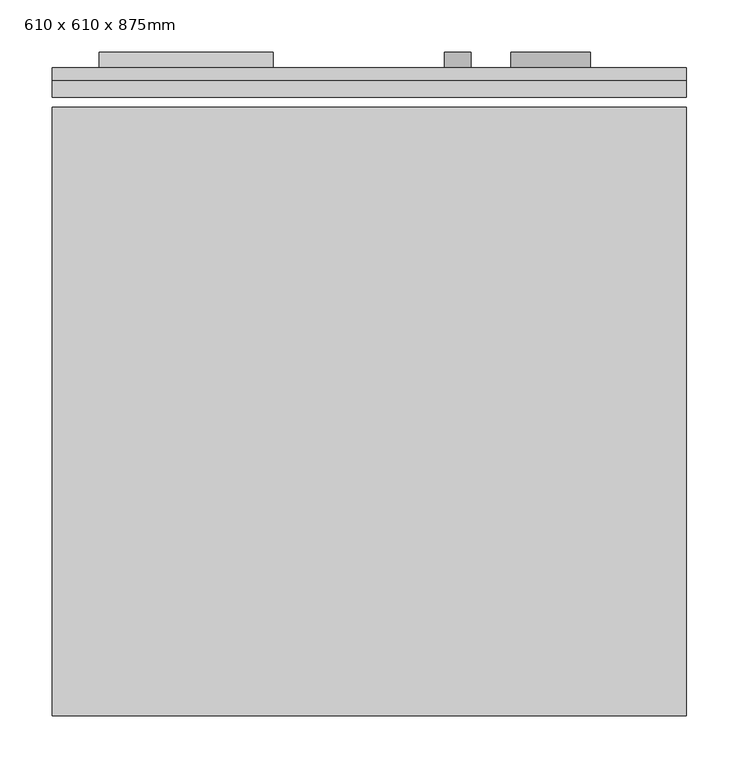
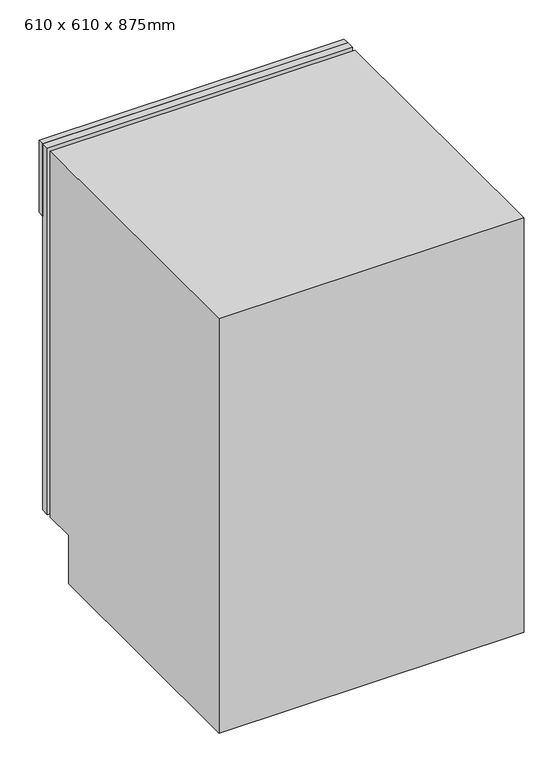
"""IFC4 building model written with IfcOpenShell, lengths in millimetres: proxy geometry, 610 x 610 x 875mm."""

from ifc_helpers import new_model, si_unit, point, frame, frame_2d, origin, place, context, project, spatial, polyline, circle_curve, trimmed, segment, composite_curve, outline, extrude, source, transform, mapped, element, save


def proxy_610_x_610_x_875mm_75336c20(model_context):
    return source(origin(), model_context, "Body", "SweptSolid", [
        extrude(outline(polyline([(687.5174685, 38.3504352), (687.5174685, 22.4754352), (77.5174685, 22.4754352), (77.5174685, 38.3504352), (687.5174685, 38.3504352)])), frame((0.0, 0.0, 101.6), z_axis=(0.0, 0.0, 1.0), x_axis=(1.0, 0.0, 0.0)), (0.0, 0.0, 1.0), 773.4),
        extrude(outline(polyline([(687.5174685, 38.3504352), (77.5174685, 38.3504352), (77.5174685, 51.0504352), (687.5174685, 51.0504352), (687.5174685, 38.3504352)])), frame((0.0, 0.0, 722.6), z_axis=(0.0, 0.0, 1.0), x_axis=(1.0, 0.0, 0.0)), (0.0, 0.0, 1.0), 152.4),
        extrude(outline(polyline([(-571.6495648, 0.0), (-571.6495648, 875.0), (12.9504352, 875.0), (12.9504352, 101.6), (-50.5495648, 101.6), (-50.5495648, 0.0), (-571.6495648, 0.0)])), frame((77.5174685, 0.0, 0.0), z_axis=(1.0, 0.0, 0.0), x_axis=(0.0, 1.0, 0.0)), (0.0, 0.0, 1.0), 610.0),
        extrude(outline(polyline([(290.2347603, 66.0504352), (290.2347603, 51.0504352), (122.8347603, 51.0504352), (122.8347603, 66.0504352), (290.2347603, 66.0504352)])), frame((0.0, 0.0, 790.6663551), z_axis=(0.0, 0.0, 1.0), x_axis=(1.0, 0.0, 0.0)), (0.0, 0.0, 1.0), 50.8),
        extrude(outline(composite_curve([segment(trimmed(circle_curve(frame_2d((790.6663551, 467.3393328)), 12.7), [point((790.6663551, 480.0393328))], [point((790.6663551, 454.6393328))], False, "CARTESIAN"), True, "CONTINUOUS"), segment(trimmed(circle_curve(frame_2d((790.6663551, 467.3393328)), 12.7), [point((790.6663551, 454.6393328))], [point((790.6663551, 480.0393328))], False, "CARTESIAN"), True, "CONTINUOUS")], self_intersect=False)), frame((0.0, 51.0504352, 0.0), z_axis=(0.0, 1.0, 0.0), x_axis=(0.0, 0.0, 1.0)), (0.0, 0.0, 1.0), 15.0),
        extrude(outline(composite_curve([segment(trimmed(circle_curve(frame_2d((790.6663551, 556.7855874)), 38.1), [point((790.6663551, 594.8855874))], [point((790.6663551, 518.6855874))], False, "CARTESIAN"), True, "CONTINUOUS"), segment(trimmed(circle_curve(frame_2d((790.6663551, 556.7855874)), 38.1), [point((790.6663551, 518.6855874))], [point((790.6663551, 594.8855874))], False, "CARTESIAN"), True, "CONTINUOUS")], self_intersect=False)), frame((0.0, 51.0504352, 0.0), z_axis=(0.0, 1.0, 0.0), x_axis=(0.0, 0.0, 1.0)), (0.0, 0.0, 1.0), 15.0),
    ])


if __name__ == "__main__":
    model = new_model("IFC4")
    model_context = context("Model", 3, world=origin())
    ifc_project = project(units=[si_unit("LENGTHUNIT", "METRE", prefix="MILLI")], contexts=[model_context])
    site = spatial("IfcSite", under=ifc_project)
    building = spatial("IfcBuilding", under=site)
    placement = place(None, origin())
    proxy_610_x_610_x_875mm_shape = proxy_610_x_610_x_875mm_75336c20(model_context)
    element("IfcBuildingElementProxy", 1, Name="610 x 610 x 875mm", ObjectType="610 x 610 x 875mm", at=placement, inside=building, context=model_context, shape_type="MappedRepresentation", body=[
        mapped(proxy_610_x_610_x_875mm_shape, transform((0.0, 0.0, 0.0), x_axis=(1.0, 0.0, 0.0), y_axis=(0.0, 1.0, 0.0), z_axis=(0.0, 0.0, 1.0))),
    ])
    save(model, "model.ifc")
